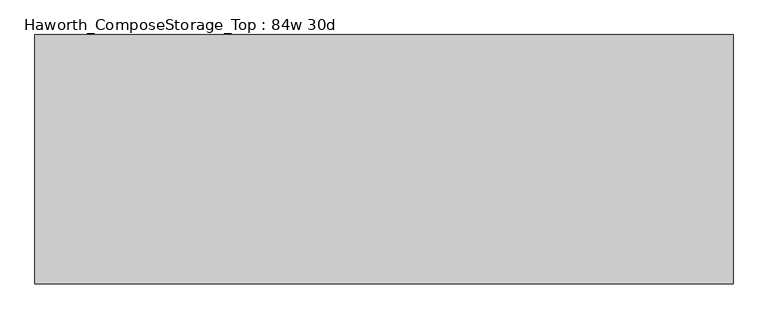
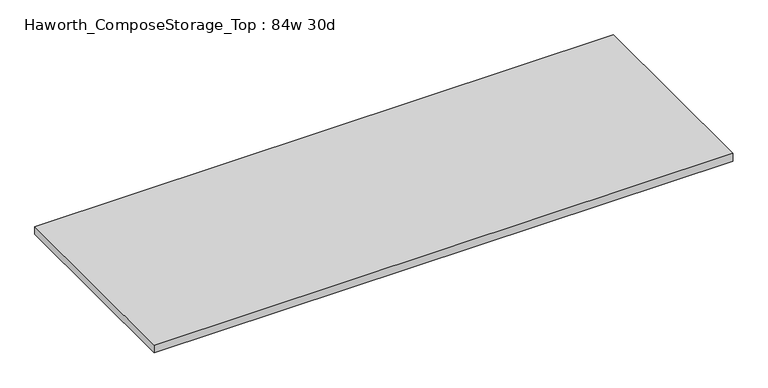
"""IFC4 building model written with IfcOpenShell, lengths in millimetres: furniture geometry, Haworth_ComposeStorage_Top : 84w 30d."""

import ifcopenshell
import ifcopenshell.guid

model = None  # the IFC model being written
_history = None  # IfcOwnerHistory: only IFC2X3 demands one
_inside = {}  # id of a spatial element -> (the spatial element, [elements in it])
_under = {}  # id of a project, library or spatial element -> (it, [spatial elements below it])
_declared = {}  # id of a project -> (the project, [libraries it declares])
_typed = {}  # id of a type object -> (the type object, [elements of that type])
_made_of = {}  # id of a material, layer set ... -> (it, [elements and type objects made of it])


def new_model(schema):
    """Start an empty IFC model of exactly this schema.

    Asked for "IFC4X3", IfcOpenShell would pick the latest addendum, in which some entities
    have other attributes; the version numbers below select the first issue.
    IFC2X3 requires an IfcOwnerHistory on every rooted entity: one is made here for all.
    """
    global model, _history
    if schema == "IFC4X3":
        model = ifcopenshell.file(schema_version=(4, 3, 0, 0))
    else:
        model = ifcopenshell.file(schema=schema)
    _inside.clear()
    _under.clear()
    _declared.clear()
    _typed.clear()
    _made_of.clear()
    _history = None
    if model.schema == "IFC2X3":
        org = make("IfcOrganization", Name="unknown")
        user = make(
            "IfcPersonAndOrganization",
            ThePerson=make("IfcPerson", FamilyName="unknown"),
            TheOrganization=org,
        )
        app = make(
            "IfcApplication",
            ApplicationDeveloper=org,
            Version="unknown",
            ApplicationFullName="unknown",
            ApplicationIdentifier="unknown",
        )
        _history = make(
            "IfcOwnerHistory",
            OwningUser=user,
            OwningApplication=app,
            ChangeAction="ADDED",
            CreationDate=0,
        )
    return model


def make(cls, **values):
    """One entity of the class cls with the attributes given. An attribute that is None is left unset."""
    return model.create_entity(
        cls, **{name: value for name, value in values.items() if value is not None}
    )


def rooted(cls, **values):
    """An entity with a GlobalId (a new one), such as an element, a storey or a relation."""
    return make(cls, GlobalId=ifcopenshell.guid.new(), OwnerHistory=_history, **values)


def si_unit(unit_type, name, prefix=None):
    """IfcSIUnit, for example si_unit("LENGTHUNIT", "METRE", prefix="MILLI")."""
    return make("IfcSIUnit", UnitType=unit_type, Prefix=prefix, Name=name)


def assignment(units):
    """IfcUnitAssignment: the units of a project."""
    return None if units is None else make("IfcUnitAssignment", Units=units)


def point(xyz):
    """IfcCartesianPoint."""
    return None if xyz is None else make("IfcCartesianPoint", Coordinates=xyz)


def direction(xyz):
    """IfcDirection."""
    return None if xyz is None else make("IfcDirection", DirectionRatios=xyz)


def frame(location, z_axis=None, x_axis=None):
    """IfcAxis2Placement3D, a coordinate frame: its origin and axes. An axis left out is left unset."""
    return make(
        "IfcAxis2Placement3D",
        Location=point(location),
        Axis=direction(z_axis),
        RefDirection=direction(x_axis),
    )


def origin():
    """The frame at (0, 0, 0) with its axes left unset."""
    return frame((0.0, 0.0, 0.0))


def place(relative_to, where):
    """IfcLocalPlacement: puts the frame where relative to a parent placement (None: the world)."""
    return make(
        "IfcLocalPlacement", PlacementRelTo=relative_to, RelativePlacement=where
    )


def context(
    kind, dimensions, precision=None, world=None, true_north=None, identifier=None
):
    """IfcGeometricRepresentationContext, for example the 3D "Model" context."""
    return make(
        "IfcGeometricRepresentationContext",
        ContextIdentifier=identifier,
        ContextType=kind,
        CoordinateSpaceDimension=dimensions,
        Precision=precision,
        WorldCoordinateSystem=world,
        TrueNorth=true_north,
    )


def project(units=None, contexts=None):
    """IfcProject with its units and contexts."""
    return rooted(
        "IfcProject",
        Name="project",
        RepresentationContexts=contexts,
        UnitsInContext=assignment(units),
    )


def spatial(cls, under=None, at=None, **own):
    """A site, building, storey or space (cls), placed at a placement, below another one or the project."""
    s = rooted(cls, ObjectPlacement=at, **own)
    if under is not None:
        _under.setdefault(under.id(), (under, []))[1].append(s)
    return s


def polyline(points):
    """IfcPolyline through the points."""
    return make("IfcPolyline", Points=[point(p) for p in points])


def outline(outer, holes=None, kind="AREA"):
    """IfcArbitraryClosedProfileDef: a profile drawn as a closed curve; with holes, ...WithVoids."""
    if holes is None:
        return make("IfcArbitraryClosedProfileDef", ProfileType=kind, OuterCurve=outer)
    return make(
        "IfcArbitraryProfileDefWithVoids",
        ProfileType=kind,
        OuterCurve=outer,
        InnerCurves=holes,
    )


def extrude(swept, where, along, depth):
    """IfcExtrudedAreaSolid: the profile swept, set in the frame where, extruded along a direction by depth."""
    return make(
        "IfcExtrudedAreaSolid",
        SweptArea=swept,
        Position=where,
        ExtrudedDirection=direction(along),
        Depth=depth,
    )


def shape(context_of_items, identifier, shape_type, items):
    """IfcShapeRepresentation: the items that make up one representation, for example the "Body"."""
    return make(
        "IfcShapeRepresentation",
        ContextOfItems=context_of_items,
        RepresentationIdentifier=identifier,
        RepresentationType=shape_type,
        Items=items,
    )


def source(mapping_origin, context_of_items, identifier, shape_type, items):
    """IfcRepresentationMap: a shape defined once, which mapped items show again and again."""
    return make(
        "IfcRepresentationMap",
        MappingOrigin=mapping_origin,
        MappedRepresentation=shape(context_of_items, identifier, shape_type, items),
    )


def transform(
    local_origin,
    x_axis=None,
    y_axis=None,
    z_axis=None,
    scale=None,
    scale2=None,
    scale3=None,
    uniform=True,
):
    """IfcCartesianTransformationOperator3D, or its non-uniform kind. x_axis, y_axis, z_axis: its Axis1, 2, 3."""
    if uniform:
        return make(
            "IfcCartesianTransformationOperator3D",
            Axis1=direction(x_axis),
            Axis2=direction(y_axis),
            LocalOrigin=point(local_origin),
            Scale=scale,
            Axis3=direction(z_axis),
        )
    return make(
        "IfcCartesianTransformationOperator3DnonUniform",
        Axis1=direction(x_axis),
        Axis2=direction(y_axis),
        LocalOrigin=point(local_origin),
        Scale=scale,
        Axis3=direction(z_axis),
        Scale2=scale2,
        Scale3=scale3,
    )


def mapped(mapping_source, mapping_target):
    """IfcMappedItem: shows the shape of a source again, moved by a transform."""
    return make(
        "IfcMappedItem", MappingSource=mapping_source, MappingTarget=mapping_target
    )


def made_of(thing, what):
    """Note that an element or type object is made of a material, layer set ...; save() writes the relation."""
    if what is not None:
        _made_of.setdefault(what.id(), (what, []))[1].append(thing)
    return thing


def element(
    cls,
    number,
    at=None,
    inside=None,
    cuts=None,
    type_object=None,
    material=None,
    context=None,
    identifier="Body",
    shape_type=None,
    held_by="IfcProductDefinitionShape",
    body=None,
    shapes=None,
    **own,
):
    """One element of the class cls, such as IfcWall. Its Tag is "e" and its number.

    at: its placement. inside: the storey or other place that contains it. cuts: it is an
    opening in that element (IfcRelVoidsElement). A single representation is given by context,
    identifier, shape_type and body (its items); several are given by shapes. held_by: the class
    of the entity that holds the representations. save() writes the other relations.
    """
    e = rooted(cls, Tag="e%d" % number, ObjectPlacement=at, **own)
    if body is not None:
        shapes = [shape(context, identifier, shape_type, body)]
    if shapes is not None:
        e.Representation = make(held_by, Representations=shapes)
    if inside is not None:
        _inside.setdefault(inside.id(), (inside, []))[1].append(e)
    if cuts is not None:
        rooted(
            "IfcRelVoidsElement", RelatingBuildingElement=cuts, RelatedOpeningElement=e
        )
    if type_object is not None:
        _typed.setdefault(type_object.id(), (type_object, []))[1].append(e)
    return made_of(e, material)


def aggregate(whole, parts):
    """IfcRelAggregates: a whole, such as a stair, and the parts it consists of."""
    return rooted("IfcRelAggregates", RelatingObject=whole, RelatedObjects=parts)


def save(model, path):
    """Write the relations noted so far, then the file.

    IfcRelAggregates (storeys below a building ...), IfcRelContainedInSpatialStructure (elements
    in a storey), IfcRelDefinesByType, IfcRelAssociatesMaterial and IfcRelDeclares: one each for
    every whole, place, type object, material and project.
    """
    for whole, parts in _under.values():
        aggregate(whole, parts)
    for where, things in _inside.values():
        rooted(
            "IfcRelContainedInSpatialStructure",
            RelatedElements=things,
            RelatingStructure=where,
        )
    for kind, things in _typed.values():
        rooted("IfcRelDefinesByType", RelatedObjects=things, RelatingType=kind)
    for what, things in _made_of.values():
        rooted("IfcRelAssociatesMaterial", RelatedObjects=things, RelatingMaterial=what)
    for by, libraries in _declared.values():
        rooted("IfcRelDeclares", RelatingContext=by, RelatedDefinitions=libraries)
    model.write(path)


def haworth_composestorage_top_84w_30d_69fbe0f3(model_context):
    return source(origin(), model_context, "Body", "SweptSolid", [
        extrude(outline(polyline([(1066.8, 381.0), (1066.8, -381.0), (-1066.8, -381.0), (-1066.8, 381.0), (1066.8, 381.0)])), frame((0.0, 0.0, 706.4375), z_axis=(0.0, 0.0, 1.0), x_axis=(1.0, 0.0, 0.0)), (0.0, 0.0, 1.0), 30.1625),
    ])


if __name__ == "__main__":
    model = new_model("IFC4")
    model_context = context("Model", 3, world=origin())
    ifc_project = project(units=[si_unit("LENGTHUNIT", "METRE", prefix="MILLI")], contexts=[model_context])
    site = spatial("IfcSite", under=ifc_project)
    building = spatial("IfcBuilding", under=site)
    placement = place(None, origin())
    haworth_composestorage_top_84w_30d_shape = haworth_composestorage_top_84w_30d_69fbe0f3(model_context)
    element("IfcFurniture", 1, ObjectType="Haworth_ComposeStorage_Top : 84w 30d", at=placement, inside=building, context=model_context, shape_type="MappedRepresentation", body=[
        mapped(haworth_composestorage_top_84w_30d_shape, transform((0.0, 0.0, 0.0), x_axis=(1.0, 0.0, 0.0), y_axis=(0.0, 1.0, 0.0), z_axis=(0.0, 0.0, 1.0))),
    ])
    save(model, "model.ifc")
